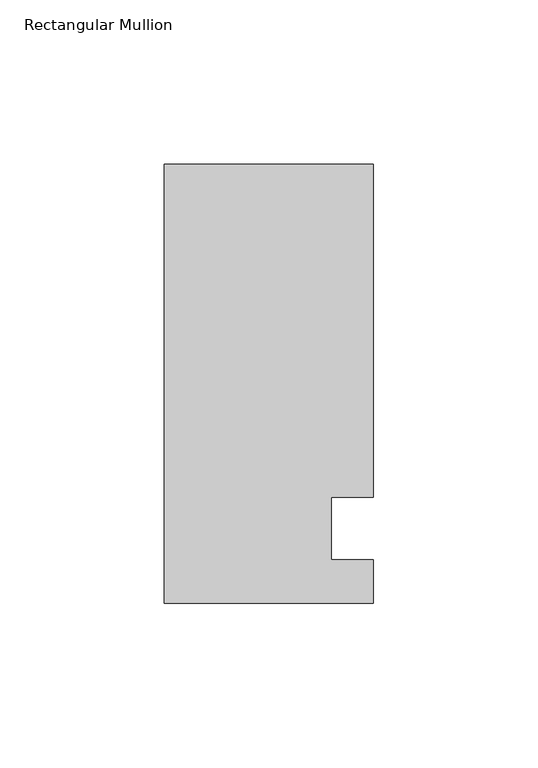
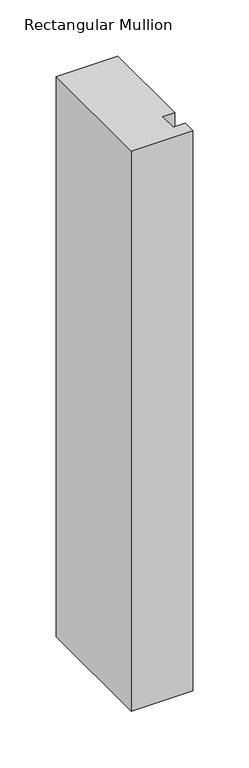
"""IFC4 building model written with IfcOpenShell, lengths in millimetres: member geometry, Rectangular Mullion."""

from ifc_helpers import new_model, si_unit, frame, origin, place, context, project, spatial, polyline, outline, extrude, source, transform, mapped, element, save


def rectangular_mullion_21fc5100(model_context):
    return source(origin(), model_context, "Body", "SweptSolid", [
        extrude(outline(polyline([(0.0, 133.4396937), (0.0, 32.2460937), (-12.7, 32.2460938), (-12.7, 13.1960937), (0.0, 13.1960937), (0.0, 0.0134937), (-63.5, 0.0134937), (-63.5, 133.4396937), (0.0, 133.4396937)])), frame((0.0, 0.0, -609.6), z_axis=(0.0, 0.0, 1.0), x_axis=(1.0, 0.0, 0.0)), (0.0, 0.0, 1.0), 609.6),
    ])


if __name__ == "__main__":
    model = new_model("IFC4")
    model_context = context("Model", 3, world=origin())
    ifc_project = project(units=[si_unit("LENGTHUNIT", "METRE", prefix="MILLI")], contexts=[model_context])
    site = spatial("IfcSite", under=ifc_project)
    building = spatial("IfcBuilding", under=site)
    placement = place(None, origin())
    rectangular_mullion_shape = rectangular_mullion_21fc5100(model_context)
    element("IfcMember", 1, ObjectType="Rectangular Mullion", at=placement, inside=building, context=model_context, shape_type="MappedRepresentation", body=[
        mapped(rectangular_mullion_shape, transform((0.0, 0.0, 0.0), x_axis=(1.0, 0.0, 0.0), y_axis=(0.0, 1.0, 0.0), z_axis=(0.0, 0.0, 1.0))),
    ])
    save(model, "model.ifc")
